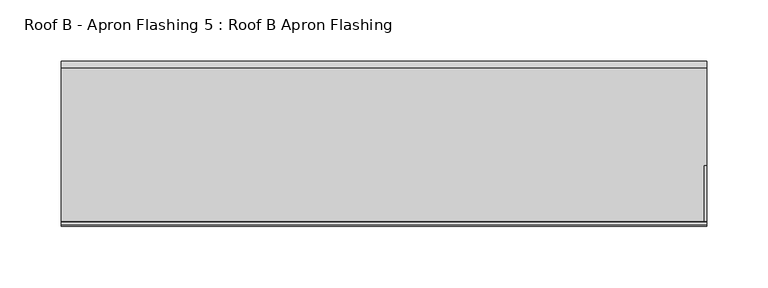
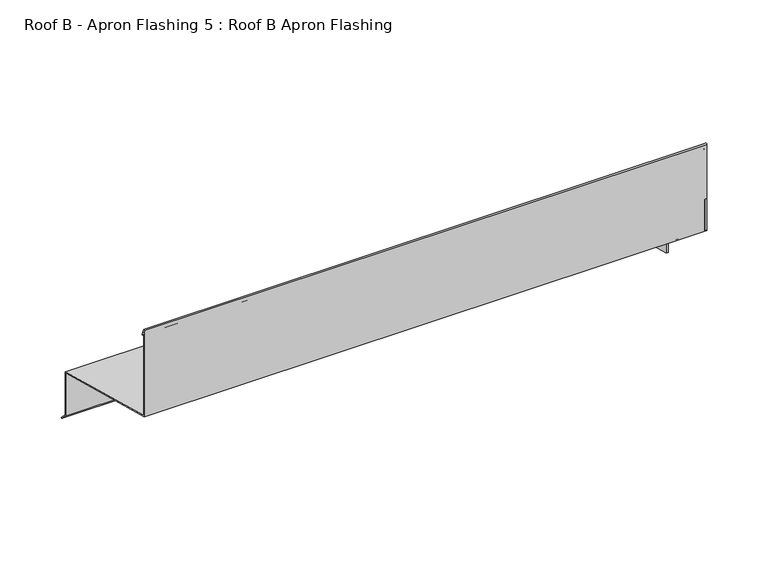
"""IFC4 building model written with IfcOpenShell, lengths in millimetres: proxy geometry, Roof B - Apron Flashing 5 : Roof B Apron Flashing."""

from ifc_helpers import new_model, si_unit, point, frame, frame_2d, origin, place, context, project, spatial, polyline, circle_curve, trimmed, segment, composite_curve, outline, extrude, source, transform, mapped, element, save


def roof_b_apron_flashing_5_roof_b_apron_flashing_528315be(model_context):
    return source(origin(), model_context, "Body", "SweptSolid", [
        extrude(outline(polyline([(673.2344915, -388.7215885), (607.3615096, -371.0709762), (607.3615096, -328.4497683), (673.2344915, -346.1003806), (673.2344915, -388.7215885)])), frame((13694.3541786, 0.0, 0.0), z_axis=(1.0, 0.0, 0.0), x_axis=(0.0, 1.0, 0.0)), (0.0, 0.0, 1.0), 2.0),
        extrude(outline(polyline([(594.6584635, -324.0107212), (544.8615096, -310.6676676), (544.8615096, -279.7934577), (594.6584635, -293.1365113), (594.6584635, -324.0107212)])), frame((13694.3541786, 0.0, 0.0), z_axis=(1.0, 0.0, 0.0), x_axis=(0.0, 1.0, 0.0)), (0.0, 0.0, 1.0), 2.0),
        extrude(outline(composite_curve([segment(polyline([(674.2344915, -345.3330536), (674.2344915, -388.338713), (680.2651268, -394.3693483), (679.55802, -395.0764551), (673.2344915, -388.7529266), (673.2344915, -346.1003806), (544.8615096, -311.7029438), (544.8615096, -225.8538686)]), True, "CONTINUOUS"), segment(trimmed(circle_curve(frame_2d((545.5405538, -225.8538686)), 0.6790442), [point((544.8615096, -225.8538686))], [point((546.1701526, -225.5994942))], False, "CARTESIAN"), True, "CONTINUOUS"), segment(polyline([(546.1701526, -225.5994942), (548.5846074, -231.5754797)]), True, "CONTINUOUS"), segment(trimmed(circle_curve(frame_2d((548.1210155, -231.762783)), 0.5), [point((548.5846074, -231.5754797))], [point((547.6574236, -231.9500863))], False, "CARTESIAN"), True, "CONTINUOUS"), segment(polyline([(547.6574236, -231.9500863), (545.8615096, -227.5050431), (545.8615096, -310.9356168), (674.2344915, -345.3330536)]), True, "CONTINUOUS")], self_intersect=False)), frame((13167.4791786, 0.0, 0.0), z_axis=(1.0, 0.0, 0.0), x_axis=(0.0, 1.0, 0.0)), (0.0, 0.0, 1.0), 528.875),
    ])


if __name__ == "__main__":
    model = new_model("IFC4")
    model_context = context("Model", 3, world=origin())
    ifc_project = project(units=[si_unit("LENGTHUNIT", "METRE", prefix="MILLI")], contexts=[model_context])
    site = spatial("IfcSite", under=ifc_project)
    building = spatial("IfcBuilding", under=site)
    placement = place(None, origin())
    roof_b_apron_flashing_5_roof_b_apron_flashing_shape = roof_b_apron_flashing_5_roof_b_apron_flashing_528315be(model_context)
    element("IfcBuildingElementProxy", 1, Name="Roof B - Apron Flashing 5 : Roof B Apron Flashing", ObjectType="Roof B - Apron Flashing 5 : Roof B Apron Flashing", at=placement, inside=building, context=model_context, shape_type="MappedRepresentation", body=[
        mapped(roof_b_apron_flashing_5_roof_b_apron_flashing_shape, transform((0.0, 0.0, 0.0), x_axis=(1.0, 0.0, 0.0), y_axis=(0.0, 1.0, 0.0), z_axis=(0.0, 0.0, 1.0))),
    ])
    save(model, "model.ifc")
